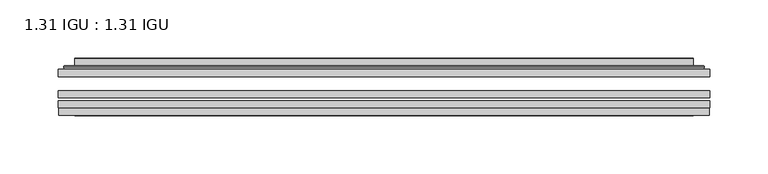
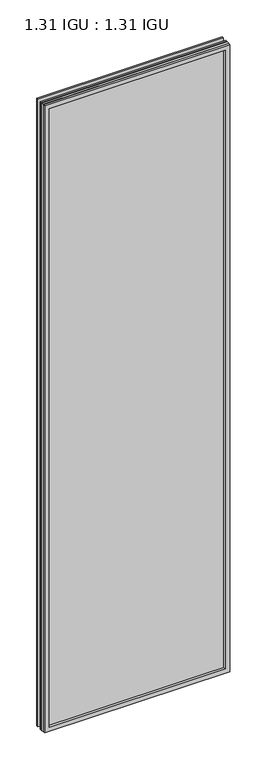
"""IFC4 building model written with IfcOpenShell, lengths in millimetres: plate geometry, 1.31 IGU : 1.31 IGU."""

import ifcopenshell
import ifcopenshell.guid

model = None  # the IFC model being written
_history = None  # IfcOwnerHistory: only IFC2X3 demands one
_inside = {}  # id of a spatial element -> (the spatial element, [elements in it])
_under = {}  # id of a project, library or spatial element -> (it, [spatial elements below it])
_declared = {}  # id of a project -> (the project, [libraries it declares])
_typed = {}  # id of a type object -> (the type object, [elements of that type])
_made_of = {}  # id of a material, layer set ... -> (it, [elements and type objects made of it])


def new_model(schema):
    """Start an empty IFC model of exactly this schema.

    Asked for "IFC4X3", IfcOpenShell would pick the latest addendum, in which some entities
    have other attributes; the version numbers below select the first issue.
    IFC2X3 requires an IfcOwnerHistory on every rooted entity: one is made here for all.
    """
    global model, _history
    if schema == "IFC4X3":
        model = ifcopenshell.file(schema_version=(4, 3, 0, 0))
    else:
        model = ifcopenshell.file(schema=schema)
    _inside.clear()
    _under.clear()
    _declared.clear()
    _typed.clear()
    _made_of.clear()
    _history = None
    if model.schema == "IFC2X3":
        org = make("IfcOrganization", Name="unknown")
        user = make(
            "IfcPersonAndOrganization",
            ThePerson=make("IfcPerson", FamilyName="unknown"),
            TheOrganization=org,
        )
        app = make(
            "IfcApplication",
            ApplicationDeveloper=org,
            Version="unknown",
            ApplicationFullName="unknown",
            ApplicationIdentifier="unknown",
        )
        _history = make(
            "IfcOwnerHistory",
            OwningUser=user,
            OwningApplication=app,
            ChangeAction="ADDED",
            CreationDate=0,
        )
    return model


def make(cls, **values):
    """One entity of the class cls with the attributes given. An attribute that is None is left unset."""
    return model.create_entity(
        cls, **{name: value for name, value in values.items() if value is not None}
    )


def rooted(cls, **values):
    """An entity with a GlobalId (a new one), such as an element, a storey or a relation."""
    return make(cls, GlobalId=ifcopenshell.guid.new(), OwnerHistory=_history, **values)


def si_unit(unit_type, name, prefix=None):
    """IfcSIUnit, for example si_unit("LENGTHUNIT", "METRE", prefix="MILLI")."""
    return make("IfcSIUnit", UnitType=unit_type, Prefix=prefix, Name=name)


def assignment(units):
    """IfcUnitAssignment: the units of a project."""
    return None if units is None else make("IfcUnitAssignment", Units=units)


def point(xyz):
    """IfcCartesianPoint."""
    return None if xyz is None else make("IfcCartesianPoint", Coordinates=xyz)


def direction(xyz):
    """IfcDirection."""
    return None if xyz is None else make("IfcDirection", DirectionRatios=xyz)


def frame(location, z_axis=None, x_axis=None):
    """IfcAxis2Placement3D, a coordinate frame: its origin and axes. An axis left out is left unset."""
    return make(
        "IfcAxis2Placement3D",
        Location=point(location),
        Axis=direction(z_axis),
        RefDirection=direction(x_axis),
    )


def origin():
    """The frame at (0, 0, 0) with its axes left unset."""
    return frame((0.0, 0.0, 0.0))


def place(relative_to, where):
    """IfcLocalPlacement: puts the frame where relative to a parent placement (None: the world)."""
    return make(
        "IfcLocalPlacement", PlacementRelTo=relative_to, RelativePlacement=where
    )


def context(
    kind, dimensions, precision=None, world=None, true_north=None, identifier=None
):
    """IfcGeometricRepresentationContext, for example the 3D "Model" context."""
    return make(
        "IfcGeometricRepresentationContext",
        ContextIdentifier=identifier,
        ContextType=kind,
        CoordinateSpaceDimension=dimensions,
        Precision=precision,
        WorldCoordinateSystem=world,
        TrueNorth=true_north,
    )


def project(units=None, contexts=None):
    """IfcProject with its units and contexts."""
    return rooted(
        "IfcProject",
        Name="project",
        RepresentationContexts=contexts,
        UnitsInContext=assignment(units),
    )


def spatial(cls, under=None, at=None, **own):
    """A site, building, storey or space (cls), placed at a placement, below another one or the project."""
    s = rooted(cls, ObjectPlacement=at, **own)
    if under is not None:
        _under.setdefault(under.id(), (under, []))[1].append(s)
    return s


def polyline(points):
    """IfcPolyline through the points."""
    return make("IfcPolyline", Points=[point(p) for p in points])


def ellipse_curve(where, semi_axis1, semi_axis2):
    """IfcEllipse in the frame where."""
    return make(
        "IfcEllipse", Position=where, SemiAxis1=semi_axis1, SemiAxis2=semi_axis2
    )


def outline(outer, holes=None, kind="AREA"):
    """IfcArbitraryClosedProfileDef: a profile drawn as a closed curve; with holes, ...WithVoids."""
    if holes is None:
        return make("IfcArbitraryClosedProfileDef", ProfileType=kind, OuterCurve=outer)
    return make(
        "IfcArbitraryProfileDefWithVoids",
        ProfileType=kind,
        OuterCurve=outer,
        InnerCurves=holes,
    )


def extrude(swept, where, along, depth):
    """IfcExtrudedAreaSolid: the profile swept, set in the frame where, extruded along a direction by depth."""
    return make(
        "IfcExtrudedAreaSolid",
        SweptArea=swept,
        Position=where,
        ExtrudedDirection=direction(along),
        Depth=depth,
    )


def faces_of(points, faces, orient=None, outer=None):
    """IfcFace entities. A face is a list of loops; a loop is a list of indices into points, from 0.

    orient and outer hold one flag for each loop. By default every Orientation is true, the
    first loop of a face is its IfcFaceOuterBound and the others are IfcFaceBound.
    """
    made = []
    for i, loops in enumerate(faces):
        bounds = []
        for j, loop in enumerate(loops):
            is_outer = j == 0 if outer is None else outer[i][j]
            bounds.append(
                make(
                    "IfcFaceOuterBound" if is_outer else "IfcFaceBound",
                    Bound=make("IfcPolyLoop", Polygon=[points[k] for k in loop]),
                    Orientation=True if orient is None else orient[i][j],
                )
            )
        made.append(make("IfcFace", Bounds=bounds))
    return made


def faceted_brep(points, faces, orient=None, outer=None, voids=None):
    """IfcFacetedBrep: a solid bounded by flat faces; with voids (closed shells), ...WithVoids."""
    shared = [point(p) for p in points]
    hull = make("IfcClosedShell", CfsFaces=faces_of(shared, faces, orient, outer))
    if voids is None:
        return make("IfcFacetedBrep", Outer=hull)
    return make(
        "IfcFacetedBrepWithVoids",
        Outer=hull,
        Voids=[
            make(cls, CfsFaces=faces_of(shared, fs, o, b)) for cls, fs, o, b in voids
        ],
    )


def shape(context_of_items, identifier, shape_type, items):
    """IfcShapeRepresentation: the items that make up one representation, for example the "Body"."""
    return make(
        "IfcShapeRepresentation",
        ContextOfItems=context_of_items,
        RepresentationIdentifier=identifier,
        RepresentationType=shape_type,
        Items=items,
    )


def source(mapping_origin, context_of_items, identifier, shape_type, items):
    """IfcRepresentationMap: a shape defined once, which mapped items show again and again."""
    return make(
        "IfcRepresentationMap",
        MappingOrigin=mapping_origin,
        MappedRepresentation=shape(context_of_items, identifier, shape_type, items),
    )


def transform(
    local_origin,
    x_axis=None,
    y_axis=None,
    z_axis=None,
    scale=None,
    scale2=None,
    scale3=None,
    uniform=True,
):
    """IfcCartesianTransformationOperator3D, or its non-uniform kind. x_axis, y_axis, z_axis: its Axis1, 2, 3."""
    if uniform:
        return make(
            "IfcCartesianTransformationOperator3D",
            Axis1=direction(x_axis),
            Axis2=direction(y_axis),
            LocalOrigin=point(local_origin),
            Scale=scale,
            Axis3=direction(z_axis),
        )
    return make(
        "IfcCartesianTransformationOperator3DnonUniform",
        Axis1=direction(x_axis),
        Axis2=direction(y_axis),
        LocalOrigin=point(local_origin),
        Scale=scale,
        Axis3=direction(z_axis),
        Scale2=scale2,
        Scale3=scale3,
    )


def mapped(mapping_source, mapping_target):
    """IfcMappedItem: shows the shape of a source again, moved by a transform."""
    return make(
        "IfcMappedItem", MappingSource=mapping_source, MappingTarget=mapping_target
    )


def made_of(thing, what):
    """Note that an element or type object is made of a material, layer set ...; save() writes the relation."""
    if what is not None:
        _made_of.setdefault(what.id(), (what, []))[1].append(thing)
    return thing


def element(
    cls,
    number,
    at=None,
    inside=None,
    cuts=None,
    type_object=None,
    material=None,
    context=None,
    identifier="Body",
    shape_type=None,
    held_by="IfcProductDefinitionShape",
    body=None,
    shapes=None,
    **own,
):
    """One element of the class cls, such as IfcWall. Its Tag is "e" and its number.

    at: its placement. inside: the storey or other place that contains it. cuts: it is an
    opening in that element (IfcRelVoidsElement). A single representation is given by context,
    identifier, shape_type and body (its items); several are given by shapes. held_by: the class
    of the entity that holds the representations. save() writes the other relations.
    """
    e = rooted(cls, Tag="e%d" % number, ObjectPlacement=at, **own)
    if body is not None:
        shapes = [shape(context, identifier, shape_type, body)]
    if shapes is not None:
        e.Representation = make(held_by, Representations=shapes)
    if inside is not None:
        _inside.setdefault(inside.id(), (inside, []))[1].append(e)
    if cuts is not None:
        rooted(
            "IfcRelVoidsElement", RelatingBuildingElement=cuts, RelatedOpeningElement=e
        )
    if type_object is not None:
        _typed.setdefault(type_object.id(), (type_object, []))[1].append(e)
    return made_of(e, material)


def aggregate(whole, parts):
    """IfcRelAggregates: a whole, such as a stair, and the parts it consists of."""
    return rooted("IfcRelAggregates", RelatingObject=whole, RelatedObjects=parts)


def save(model, path):
    """Write the relations noted so far, then the file.

    IfcRelAggregates (storeys below a building ...), IfcRelContainedInSpatialStructure (elements
    in a storey), IfcRelDefinesByType, IfcRelAssociatesMaterial and IfcRelDeclares: one each for
    every whole, place, type object, material and project.
    """
    for whole, parts in _under.values():
        aggregate(whole, parts)
    for where, things in _inside.values():
        rooted(
            "IfcRelContainedInSpatialStructure",
            RelatedElements=things,
            RelatingStructure=where,
        )
    for kind, things in _typed.values():
        rooted("IfcRelDefinesByType", RelatedObjects=things, RelatingType=kind)
    for what, things in _made_of.values():
        rooted("IfcRelAssociatesMaterial", RelatedObjects=things, RelatingMaterial=what)
    for by, libraries in _declared.values():
        rooted("IfcRelDeclares", RelatingContext=by, RelatedDefinitions=libraries)
    model.write(path)


def plane_surface(at):
    """IfcPlane: the flat surface through the origin of the frame at, square to its z axis."""
    return make("IfcPlane", Position=at)


def cylinder_surface(at, radius):
    """IfcCylindricalSurface: all points at the distance radius from the z axis of the frame at."""
    return make("IfcCylindricalSurface", Position=at, Radius=radius)


def advanced_brep(points, edges, surfaces, faces):
    """IfcAdvancedBrep: a solid bounded by faces that lie on surfaces and meet in shared edges.

    An edge is (start, end): straight between two places in points (the first is 0);
    or (start, end, curve); or (start, end, curve, False) where it runs against its curve.
    A face is (place in surfaces, loops), or (place, loops, False) where it looks against
    its surface's normal. A loop lists edges by number (the first is 1), with a minus sign
    where the edge is run from its end to its start. The first loop is the outer one.
    """
    corners = [point(p) for p in points]
    vertices = [make("IfcVertexPoint", VertexGeometry=c) for c in corners]
    made = []
    for start, end, *more in edges:
        made.append(
            make(
                "IfcEdgeCurve",
                EdgeStart=vertices[start],
                EdgeEnd=vertices[end],
                EdgeGeometry=more[0] if more else make("IfcPolyline", Points=[corners[start], corners[end]]),
                SameSense=more[1] if len(more) > 1 else True,
            )
        )
    hull = []
    for where, loops, *sense in faces:
        bounds = []
        for j, loop in enumerate(loops):
            ring = [make("IfcOrientedEdge", EdgeElement=made[abs(k) - 1], Orientation=k > 0) for k in loop]
            bounds.append(
                make(
                    "IfcFaceOuterBound" if j == 0 else "IfcFaceBound",
                    Bound=make("IfcEdgeLoop", EdgeList=ring),
                    Orientation=True,
                )
            )
        hull.append(make("IfcAdvancedFace", Bounds=bounds, FaceSurface=surfaces[where], SameSense=sense[0] if sense else True))
    return make("IfcAdvancedBrep", Outer=make("IfcClosedShell", CfsFaces=hull))


def plate_1_31_igu_1_31_igu_12ca5b91(model_context):
    return source(origin(), model_context, "Body", "SolidModel", [
        extrude(outline(polyline([(281.0048663, -63.59525), (281.0048663, -69.94525), (-280.9906913, -69.94525), (-280.9906913, -63.59525), (281.0048663, -63.59525)])), frame((0.0, 0.0, -14.2875), z_axis=(0.0, 0.0, 1.0), x_axis=(1.0, 0.0, 0.0)), (0.0, 0.0, 1.0), 2009.796575),
        extrude(outline(polyline([(-280.9906913, -78.58125), (-280.9906913, -72.230745), (281.0048663, -72.230745), (281.0048663, -78.58125), (-280.9906913, -78.58125)])), frame((0.0, 0.0, -14.2875), z_axis=(0.0, 0.0, 1.0), x_axis=(1.0, 0.0, 0.0)), (0.0, 0.0, 1.0), 2009.796575),
        extrude(outline(polyline([(281.0048663, -45.25645), (281.0048663, -51.60645), (-280.9906913, -51.60645), (-280.9906913, -45.25645), (281.0048663, -45.25645)])), frame((0.0, 0.0, -14.2875), z_axis=(0.0, 0.0, 1.0), x_axis=(1.0, 0.0, 0.0)), (0.0, 0.0, 1.0), 2009.796575),
        faceted_brep([(-280.2905055, -84.93125, 1994.8050914), (-280.2905055, -78.58125, 1994.8050914), (-280.2905055, -78.58125, -13.5873142), (-280.2905055, -84.93125, -13.5873142), (280.2905055, -78.58125, -13.5873142), (280.2905055, -84.93125, -13.5873142), (280.2905055, -78.58125, 1994.8050914), (280.2905055, -84.93125, 1994.8050914), (-265.8054472, -78.58125, 0.8977441), (265.8054472, -78.58125, 0.8977441), (265.8054472, -78.58125, 1980.320033), (-265.8054472, -78.58125, 1980.320033), (-266.6978815, -84.93125, 1981.2124673), (266.6978815, -84.93125, 1981.2124673), (266.6978815, -84.93125, 0.0053098), (-266.6978815, -84.93125, 0.0053098)], [[[0, 1, 2, 3]], [[3, 2, 4, 5]], [[5, 4, 6, 7]], [[1, 6, 4, 2], [8, 9, 10, 11]], [[7, 6, 1, 0]], [[3, 5, 7, 0], [12, 13, 14, 15]], [[11, 12, 15, 8]], [[8, 15, 14, 9]], [[9, 14, 13, 10]], [[10, 13, 12, 11]]]),
        advanced_brep(
        [(-273.7494103, -45.25645, 1988.2639962), (-276.1036157, -43.2667833, 1990.6182015), (-276.1036157, -43.2667833, -9.4004244), (-273.7494103, -45.25645, -7.046219), (-264.6750852, -41.416413, 1979.1896711), (-259.7402534, -45.25645, 1974.2548392), (-259.7402534, -45.25645, 6.9629379), (-264.6750852, -41.416413, 2.0281061), (-265.707113, -36.0191819, 1980.2216988), (-265.707113, -36.0191819, 0.9960783), (-266.6977697, -35.6202069, 1981.2123556), (-266.6977697, -35.6202069, 0.0054216), (-266.6977697, -42.08145, 1981.2123556), (-266.6977697, -42.08145, 0.0054216), (-275.1018262, -42.08145, 1989.616412), (-275.1018262, -42.08145, -8.3986349), (276.1036157, -43.2667833, -9.4004244), (273.7494103, -45.25645, -7.046219), (259.7402534, -45.25645, 6.9629379), (264.6750852, -41.416413, 2.0281061), (265.707113, -36.0191819, 0.9960783), (266.6977697, -35.6202069, 0.0054216), (266.6977697, -42.08145, 0.0054216), (275.1018262, -42.08145, -8.3986349), (276.1036157, -43.2667833, 1990.6182015), (273.7494103, -45.25645, 1988.2639962), (259.7402534, -45.25645, 1974.2548392), (264.6750852, -41.416413, 1979.1896711), (265.707113, -36.0191819, 1980.2216988), (266.6977697, -35.6202069, 1981.2123556), (266.6977697, -42.08145, 1981.2123556), (275.1018262, -42.08145, 1989.616412)],
        [
            (0, 1, ellipse_curve(frame((-273.7494103, -42.86885, 1988.2639962), z_axis=(-0.7071067811865475, 0.0, -0.7071067811865475), x_axis=(-0.7071067811865474, 0.0, 0.7071067811865476)), 3.3765763, 2.3876)),
            (1, 2),
            (2, 3, ellipse_curve(frame((-273.7494103, -42.86885, -7.046219), z_axis=(-0.7071067811865475, 0.0, 0.7071067811865475), x_axis=(0.7071067811865474, 0.0, 0.7071067811865476)), 3.3765763, 2.3876)),
            (3, 0),
            (4, 5),
            (5, 6),
            (6, 7),
            (7, 4),
            (8, 4),
            (7, 9),
            (9, 8),
            (10, 8, ellipse_curve(frame((-266.3308132, -36.1384423, 1980.845399), z_axis=(-0.7071067811865475, 0.0, -0.7071067811865475), x_axis=(-0.7071067811865474, 0.0, 0.7071067811865476)), 0.8980256, 0.635)),
            (9, 11, ellipse_curve(frame((-266.3308132, -36.1384423, 0.3723781), z_axis=(-0.7071067811865475, 0.0, 0.7071067811865475), x_axis=(0.7071067811865474, 0.0, 0.7071067811865476)), 0.8980256, 0.635)),
            (11, 10),
            (12, 10),
            (11, 13),
            (13, 12),
            (1, 14, ellipse_curve(frame((-275.1018262, -43.09745, 1989.616412), z_axis=(-0.7071067811865475, 0.0, -0.7071067811865475), x_axis=(-0.7071067811865474, 0.0, 0.7071067811865476)), 1.436841, 1.016)),
            (14, 15),
            (15, 2, ellipse_curve(frame((-275.1018262, -43.09745, -8.3986349), z_axis=(-0.7071067811865475, 0.0, 0.7071067811865475), x_axis=(0.7071067811865474, 0.0, 0.7071067811865476)), 1.436841, 1.016)),
            (2, 16),
            (16, 17, ellipse_curve(frame((273.7494103, -42.86885, -7.046219), z_axis=(-0.7071067811865475, 0.0, -0.7071067811865475), x_axis=(-0.7071067811865476, 0.0, 0.7071067811865474)), 3.3765763, 2.3876)),
            (17, 3),
            (6, 18),
            (18, 19),
            (19, 7),
            (19, 20),
            (20, 9),
            (20, 21, ellipse_curve(frame((266.3308132, -36.1384423, 0.3723781), z_axis=(-0.7071067811865475, 0.0, -0.7071067811865475), x_axis=(-0.7071067811865476, 0.0, 0.7071067811865474)), 0.8980256, 0.635)),
            (21, 11),
            (21, 22),
            (22, 13),
            (15, 23),
            (23, 16, ellipse_curve(frame((275.1018262, -43.09745, -8.3986349), z_axis=(-0.7071067811865475, 0.0, -0.7071067811865475), x_axis=(-0.7071067811865476, 0.0, 0.7071067811865474)), 1.436841, 1.016)),
            (16, 24),
            (24, 25, ellipse_curve(frame((273.7494103, -42.86885, 1988.2639962), z_axis=(0.7071067811865475, 0.0, -0.7071067811865475), x_axis=(-0.7071067811865474, 0.0, -0.7071067811865476)), 3.3765763, 2.3876)),
            (25, 17),
            (18, 26),
            (26, 27),
            (27, 19),
            (27, 28),
            (28, 20),
            (28, 29, ellipse_curve(frame((266.3308132, -36.1384423, 1980.845399), z_axis=(0.7071067811865475, 0.0, -0.7071067811865475), x_axis=(-0.7071067811865474, 0.0, -0.7071067811865476)), 0.8980256, 0.635)),
            (29, 21),
            (29, 30),
            (30, 22),
            (23, 31),
            (31, 24, ellipse_curve(frame((275.1018262, -43.09745, 1989.616412), z_axis=(0.7071067811865475, 0.0, -0.7071067811865475), x_axis=(-0.7071067811865474, 0.0, -0.7071067811865476)), 1.436841, 1.016)),
            (24, 1),
            (0, 25),
            (5, 26),
            (4, 27),
            (8, 28),
            (10, 29),
            (12, 30),
            (14, 31),
        ],
        [
            cylinder_surface(frame((-273.7494103, -42.86885, 2012.9677772), z_axis=(0.0, 0.0, 1.0), x_axis=(-1.0, 0.0, 0.0)), 2.3876),
            plane_surface(frame((-259.7402534, -45.25645, 1974.2548392), z_axis=(0.6141233906514794, 0.7892100234124821, 0.0), x_axis=(0.0, 0.0, -1.0))),
            plane_surface(frame((-264.6750852, -41.416413, 1979.1896711), z_axis=(0.9822050625507729, 0.18781164793386076, 0.0), x_axis=(0.0, 0.0, -1.0))),
            cylinder_surface(frame((-266.3308132, -36.1384423, 2012.9677772), z_axis=(0.0, 0.0, 1.0), x_axis=(-1.0, 0.0, 0.0)), 0.635),
            plane_surface(frame((-266.6977697, -35.6202069, 1981.2123556), z_axis=(-1.0, 0.0, 0.0), x_axis=(0.0, 0.0, -1.0))),
            cylinder_surface(frame((-275.1018262, -43.09745, 2012.9677772), z_axis=(0.0, 0.0, 1.0), x_axis=(-1.0, 0.0, 0.0)), 1.016),
            cylinder_surface(frame((-298.4531913, -42.86885, -7.046219), z_axis=(-1.0, 0.0, 0.0), x_axis=(0.0, 0.0, -1.0)), 2.3876),
            plane_surface(frame((-259.7402534, -45.25645, 6.9629379), z_axis=(0.0, 0.7892100234124841, 0.6141233906514768), x_axis=(1.0, 0.0, 0.0))),
            plane_surface(frame((-264.6750852, -41.416413, 2.0281061), z_axis=(0.0, 0.18781164793386393, 0.9822050625507723), x_axis=(1.0, 0.0, 0.0))),
            cylinder_surface(frame((-298.4531913, -36.1384423, 0.3723781), z_axis=(-1.0, 0.0, 0.0), x_axis=(0.0, 0.0, -1.0)), 0.635),
            plane_surface(frame((-266.6977697, -35.6202069, 0.0054216), z_axis=(0.0, 0.0, -1.0), x_axis=(1.0, 0.0, 0.0))),
            cylinder_surface(frame((-298.4531913, -43.09745, -8.3986349), z_axis=(-1.0, 0.0, 0.0), x_axis=(0.0, 0.0, -1.0)), 1.016),
            cylinder_surface(frame((273.7494103, -42.86885, -31.75), z_axis=(0.0, 0.0, -1.0), x_axis=(1.0, 0.0, 0.0)), 2.3876),
            plane_surface(frame((259.7402534, -45.25645, 6.9629379), z_axis=(-0.6141233906514743, 0.7892100234124861, 0.0), x_axis=(0.0, 0.0, 1.0))),
            plane_surface(frame((264.6750852, -41.416413, 2.0281061), z_axis=(-0.9822050625507718, 0.1878116479338671, 0.0), x_axis=(0.0, 0.0, 1.0))),
            cylinder_surface(frame((266.3308132, -36.1384423, -31.75), z_axis=(0.0, 0.0, -1.0), x_axis=(1.0, 0.0, 0.0)), 0.635),
            plane_surface(frame((266.6977697, -35.6202069, 0.0054216), z_axis=(1.0, 0.0, 0.0), x_axis=(0.0, 0.0, 1.0))),
            cylinder_surface(frame((275.1018262, -43.09745, -31.75), z_axis=(0.0, 0.0, -1.0), x_axis=(1.0, 0.0, 0.0)), 1.016),
            cylinder_surface(frame((298.4531913, -42.86885, 1988.2639962), z_axis=(1.0, 0.0, 0.0), x_axis=(0.0, 0.0, 1.0)), 2.3876),
            plane_surface(frame((273.7494103, -45.25645, 1988.2639962), z_axis=(0.0, -1.0, 0.0), x_axis=(-1.0, 0.0, 0.0))),
            plane_surface(frame((259.7402534, -45.25645, 1974.2548392), z_axis=(0.0, 0.7892100234124841, -0.6141233906514768), x_axis=(-1.0, 0.0, 0.0))),
            plane_surface(frame((264.6750852, -41.416413, 1979.1896711), z_axis=(0.0, 0.18781164793386393, -0.9822050625507723), x_axis=(-1.0, 0.0, 0.0))),
            cylinder_surface(frame((298.4531913, -36.1384423, 1980.845399), z_axis=(1.0, 0.0, 0.0), x_axis=(0.0, 0.0, 1.0)), 0.635),
            plane_surface(frame((266.6977697, -35.6202069, 1981.2123556), z_axis=(0.0, 0.0, 1.0), x_axis=(-1.0, 0.0, 0.0))),
            plane_surface(frame((266.6977697, -42.08145, 1981.2123556), z_axis=(0.0, 1.0, 0.0), x_axis=(-1.0, 0.0, 0.0))),
            cylinder_surface(frame((298.4531913, -43.09745, 1989.616412), z_axis=(1.0, 0.0, 0.0), x_axis=(0.0, 0.0, 1.0)), 1.016),
        ],
        [
            (0, [[1, 2, 3, 4]]),
            (1, [[5, 6, 7, 8]]),
            (2, [[9, -8, 10, 11]]),
            (3, [[12, -11, 13, 14]]),
            (4, [[15, -14, 16, 17]]),
            (5, [[18, 19, 20, -2]]),
            (6, [[-3, 21, 22, 23]]),
            (7, [[-7, 24, 25, 26]]),
            (8, [[-10, -26, 27, 28]]),
            (9, [[-13, -28, 29, 30]]),
            (10, [[-16, -30, 31, 32]]),
            (11, [[-20, 33, 34, -21]]),
            (12, [[-22, 35, 36, 37]]),
            (13, [[-25, 38, 39, 40]]),
            (14, [[-27, -40, 41, 42]]),
            (15, [[-29, -42, 43, 44]]),
            (16, [[-31, -44, 45, 46]]),
            (17, [[-34, 47, 48, -35]]),
            (18, [[-36, 49, -1, 50]]),
            (19, [[-23, -37, -50, -4], [51, -38, -24, -6]]),
            (20, [[-39, -51, -5, 52]]),
            (21, [[-41, -52, -9, 53]]),
            (22, [[-43, -53, -12, 54]]),
            (23, [[-45, -54, -15, 55]]),
            (24, [[56, -47, -33, -19], [-32, -46, -55, -17]]),
            (25, [[-48, -56, -18, -49]]),
        ],
    ),
    ])


if __name__ == "__main__":
    model = new_model("IFC4")
    model_context = context("Model", 3, world=origin())
    ifc_project = project(units=[si_unit("LENGTHUNIT", "METRE", prefix="MILLI")], contexts=[model_context])
    site = spatial("IfcSite", under=ifc_project)
    building = spatial("IfcBuilding", under=site)
    placement = place(None, origin())
    plate_1_31_igu_1_31_igu_shape = plate_1_31_igu_1_31_igu_12ca5b91(model_context)
    element("IfcPlate", 1, ObjectType="1.31 IGU : 1.31 IGU", at=placement, inside=building, context=model_context, shape_type="MappedRepresentation", body=[
        mapped(plate_1_31_igu_1_31_igu_shape, transform((0.0, 0.0, 0.0), x_axis=(1.0, 0.0, 0.0), y_axis=(0.0, 1.0, 0.0), z_axis=(0.0, 0.0, 1.0))),
    ])
    save(model, "model.ifc")
